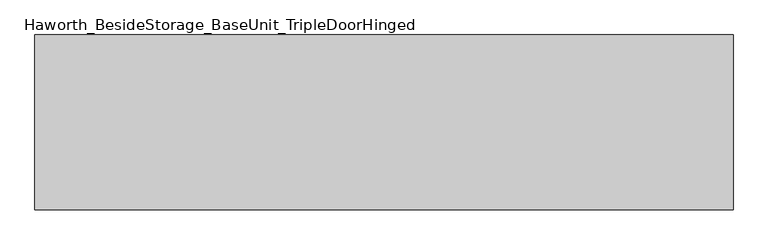
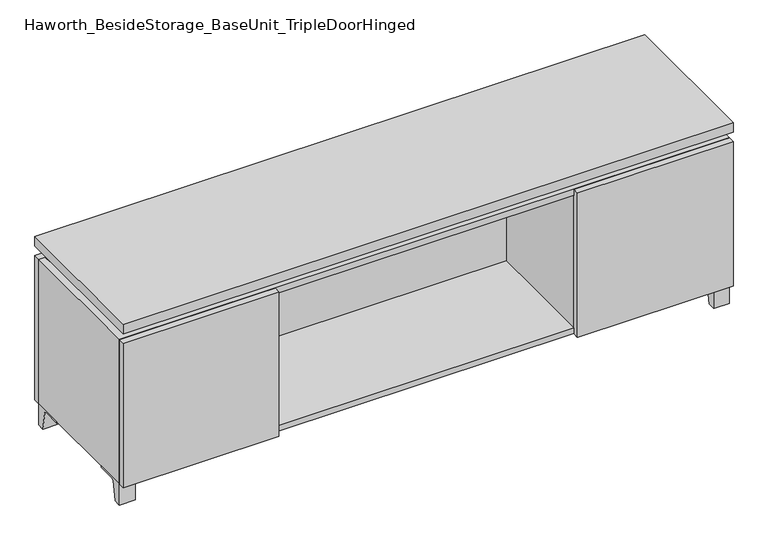
"""IFC4 building model written with IfcOpenShell, lengths in millimetres: furniture geometry, Haworth_BesideStorage_BaseUnit_TripleDoorHinged."""

from ifc_helpers import new_model, si_unit, point, frame, frame_2d, origin, place, context, project, spatial, polyline, circle_curve, trimmed, segment, composite_curve, outline, extrude, faceted_brep, source, transform, mapped, element, save


def haworth_besidestorage_baseunit_tripledoorhinged_83997c4d(model_context):
    return source(origin(), model_context, "Body", "SolidModel", [
        extrude(outline(composite_curve([segment(polyline([(38.6291531, 0.0), (15.875, 0.0), (15.875, 66.675), (111.125, 66.675), (111.125, 61.8963321), (54.3244655, 61.8963321)]), True, "CONTINUOUS"), segment(trimmed(circle_curve(frame_2d((54.3244655, 55.5463321)), 6.35), [point((54.3244655, 61.8963321))], [point((48.0608641, 56.5902656))], True, "CARTESIAN"), True, "CONTINUOUS"), segment(polyline([(48.0608641, 56.5902656), (38.6291531, 0.0)]), True, "CONTINUOUS")], self_intersect=False)), frame((-23.7986094, 0.0, 0.0), z_axis=(1.0, 0.0, 0.0), x_axis=(0.0, 1.0, 0.0)), (0.0, 0.0, 1.0), 47.625),
        extrude(outline(composite_curve([segment(polyline([(-129.6458469, 0.0), (-152.4, 0.0), (-152.4, 66.675), (-57.15, 66.675), (-57.15, 61.8963321), (-113.9505345, 61.8963321)]), True, "CONTINUOUS"), segment(trimmed(circle_curve(frame_2d((-113.9505345, 55.5463321)), 6.35), [point((-113.9505345, 61.8963321))], [point((-120.2141359, 56.5902656))], True, "CARTESIAN"), True, "CONTINUOUS"), segment(polyline([(-120.2141359, 56.5902656), (-129.6458469, 0.0)]), True, "CONTINUOUS")], self_intersect=False)), frame((865.2013906, 0.0, 0.0), z_axis=(1.0, 0.0, 0.0), x_axis=(0.0, 1.0, 0.0)), (0.0, 0.0, 1.0), 47.625),
        extrude(outline(composite_curve([segment(polyline([(243.9458469, 0.0), (234.5141359, 56.5902656)]), True, "CONTINUOUS"), segment(trimmed(circle_curve(frame_2d((228.2505345, 55.5463321)), 6.35), [point((234.5141359, 56.5902656))], [point((228.2505345, 61.8963321))], True, "CARTESIAN"), True, "CONTINUOUS"), segment(polyline([(228.2505345, 61.8963321), (171.45, 61.8963321), (171.45, 66.675), (266.7, 66.675), (266.7, 0.0), (243.9458469, 0.0)]), True, "CONTINUOUS")], self_intersect=False)), frame((865.2013906, 0.0, 0.0), z_axis=(1.0, 0.0, 0.0), x_axis=(0.0, 1.0, 0.0)), (0.0, 0.0, 1.0), 47.625),
        extrude(outline(composite_curve([segment(polyline([(-129.6458469, 0.0), (-152.4, 0.0), (-152.4, 66.675), (-57.15, 66.675), (-57.15, 61.8963321), (-113.9505345, 61.8963321)]), True, "CONTINUOUS"), segment(trimmed(circle_curve(frame_2d((-113.9505345, 55.5463321)), 6.35), [point((-113.9505345, 61.8963321))], [point((-120.2141359, 56.5902656))], True, "CARTESIAN"), True, "CONTINUOUS"), segment(polyline([(-120.2141359, 56.5902656), (-129.6458469, 0.0)]), True, "CONTINUOUS")], self_intersect=False)), frame((-912.7986094, 0.0, 0.0), z_axis=(1.0, 0.0, 0.0), x_axis=(0.0, 1.0, 0.0)), (0.0, 0.0, 1.0), 47.625),
        extrude(outline(composite_curve([segment(polyline([(243.9458469, 0.0), (234.5141359, 56.5902656)]), True, "CONTINUOUS"), segment(trimmed(circle_curve(frame_2d((228.2505345, 55.5463321)), 6.35), [point((234.5141359, 56.5902656))], [point((228.2505345, 61.8963321))], True, "CARTESIAN"), True, "CONTINUOUS"), segment(polyline([(228.2505345, 61.8963321), (171.45, 61.8963321), (171.45, 66.675), (266.7, 66.675), (266.7, 0.0), (243.9458469, 0.0)]), True, "CONTINUOUS")], self_intersect=False)), frame((-912.7986094, 0.0, 0.0), z_axis=(1.0, 0.0, 0.0), x_axis=(0.0, 1.0, 0.0)), (0.0, 0.0, 1.0), 47.625),
        faceted_brep([(-912.7986094, -152.4, 66.675), (912.8125, -152.4, 66.675), (912.8125, -152.4, 523.875), (-912.7986094, -152.4, 523.875), (-893.7486094, -152.4, 85.725), (-893.7486094, -152.4, 504.825), (893.7694453, -152.4, 504.825), (893.7486094, -152.4, 85.725), (-912.7986094, 266.7, 66.675), (-912.7986094, 266.7, 523.875), (-893.7486094, 266.7, 523.875), (-893.7486094, 266.7, 85.725), (893.7486094, 266.7, 85.725), (893.7486094, 266.7, 523.875), (912.8125, 266.7, 523.875), (912.8125, 266.7, 66.675), (893.7486094, 241.3, 523.875), (-893.7416641, 241.3, 523.875), (-893.7486094, 241.3, 504.825), (893.7486094, 241.3, 504.825)], [[[0, 1, 2, 3], [4, 5, 6, 7]], [[8, 9, 10, 11, 12, 13, 14, 15]], [[1, 0, 8, 15]], [[2, 1, 15, 14]], [[3, 2, 14, 13, 16, 17, 10, 9]], [[0, 3, 9, 8]], [[11, 10, 17, 18, 5, 4]], [[13, 12, 7, 6, 19, 16]], [[4, 7, 12, 11]], [[6, 5, 18, 19]], [[17, 16, 19, 18]]]),
        extrude(outline(polyline([(912.8263906, -171.45), (-912.7986094, -171.45), (-912.7986094, 285.75), (912.8263906, 285.75), (912.8263906, -171.45)])), frame((0.0, 0.0, 554.0375), z_axis=(0.0, 0.0, 1.0), x_axis=(1.0, 0.0, 0.0)), (0.0, 0.0, 1.0), 30.1625),
        faceted_brep([(7.9513906, -76.2, 554.0375), (7.9513906, -76.2, 523.875), (7.9513906, 47.625, 523.875), (7.9513906, 47.625, 554.0375), (7.9513906, 190.5, 523.875), (7.9513906, 190.5, 554.0375), (7.9513906, 66.675, 554.0375), (7.9513906, 66.675, 523.875), (-7.9236094, 190.5, 554.0375), (-7.9236094, 190.5, 523.875), (-7.9236094, 66.675, 523.875), (-7.9236094, 66.675, 554.0375), (-7.9236094, -76.2, 523.875), (-7.9236094, -76.2, 554.0375), (-7.9236094, 47.625, 554.0375), (-7.9236094, 47.625, 523.875), (-871.4958281, 66.675, 554.0375), (-871.5166641, 241.3, 554.0375), (-887.3916641, 241.3, 554.0375), (-887.3916641, -127.0, 554.0375), (-871.5166641, -127.0, 554.0375), (-871.5166641, 47.625, 554.0375), (871.5236094, 47.625, 554.0375), (871.5236094, -127.0, 554.0375), (887.3986094, -127.0, 554.0375), (887.3986094, 241.3, 554.0375), (871.5236094, 241.3, 554.0375), (871.5236094, 66.675, 554.0375), (-871.4958281, 47.625, 523.875), (-871.5166641, -127.0, 523.875), (-887.3916641, -127.0, 523.875), (-887.3916641, 241.3, 523.875), (-871.5166641, 241.3, 523.875), (-871.5166641, 66.675, 523.875), (871.5236094, 66.675, 523.875), (871.5236094, 241.3, 523.875), (887.3986094, 241.3, 523.875), (887.3986094, -127.0, 523.875), (871.5236094, -127.0, 523.875), (871.5236094, 47.625, 523.875)], [[[0, 1, 2, 3]], [[4, 5, 6, 7]], [[8, 9, 10, 11]], [[12, 13, 14, 15]], [[5, 8, 11, 16, 17, 18, 19, 20, 21, 14, 13, 0, 3, 22, 23, 24, 25, 26, 27, 6]], [[1, 12, 15, 28, 29, 30, 31, 32, 33, 10, 9, 4, 7, 34, 35, 36, 37, 38, 39, 2]], [[5, 4, 9, 8]], [[1, 0, 13, 12]], [[6, 27, 34, 7]], [[22, 3, 2, 39]], [[20, 29, 28, 21]], [[32, 17, 16, 33]], [[18, 31, 30, 19]], [[29, 20, 19, 30]], [[17, 32, 31, 18]], [[26, 35, 34, 27]], [[38, 23, 22, 39]], [[25, 24, 37, 36]], [[23, 38, 37, 24]], [[35, 26, 25, 36]], [[16, 11, 10, 33]], [[14, 21, 28, 15]]]),
        extrude(outline(polyline([(912.8263906, 266.7), (-912.7986094, 266.7), (-912.7986094, 285.75), (912.8263906, 285.75), (912.8263906, 266.7)])), frame((0.0, 0.0, 66.675), z_axis=(0.0, 0.0, 1.0), x_axis=(1.0, 0.0, 0.0)), (0.0, 0.0, 1.0), 457.2),
        extrude(outline(polyline([(-893.7416641, 196.85), (-893.7416641, 203.2), (893.7694453, 203.2), (893.7694453, 196.85), (-893.7416641, 196.85)])), frame((0.0, 0.0, 85.725), z_axis=(0.0, 0.0, 1.0), x_axis=(1.0, 0.0, 0.0)), (0.0, 0.0, 1.0), 419.1),
        extrude(outline(polyline([(446.8951406, -171.45), (446.8951406, -152.4), (912.8263906, -152.4), (912.8263906, -171.45), (446.8951406, -171.45)])), frame((0.0, 0.0, 66.675), z_axis=(0.0, 0.0, 1.0), x_axis=(1.0, 0.0, 0.0)), (0.0, 0.0, 1.0), 457.2),
        extrude(outline(polyline([(-446.8673594, -171.45), (-912.7986094, -171.45), (-912.7986094, -152.4), (-446.8673594, -152.4), (-446.8673594, -171.45)])), frame((0.0, 0.0, 66.675), z_axis=(0.0, 0.0, 1.0), x_axis=(1.0, 0.0, 0.0)), (0.0, 0.0, 1.0), 457.2),
        extrude(outline(polyline([(446.8951406, 196.85), (465.9451406, 196.85), (465.9451406, -152.4), (446.8951406, -152.4), (446.8951406, 196.85)])), frame((0.0, 0.0, 85.725), z_axis=(0.0, 0.0, 1.0), x_axis=(1.0, 0.0, 0.0)), (0.0, 0.0, 1.0), 419.1),
        extrude(outline(polyline([(-465.9173594, 196.85), (-446.8673594, 196.85), (-446.8673594, -152.4), (-465.9173594, -152.4), (-465.9173594, 196.85)])), frame((0.0, 0.0, 85.725), z_axis=(0.0, 0.0, 1.0), x_axis=(1.0, 0.0, 0.0)), (0.0, 0.0, 1.0), 419.1),
    ])


if __name__ == "__main__":
    model = new_model("IFC4")
    model_context = context("Model", 3, world=origin())
    ifc_project = project(units=[si_unit("LENGTHUNIT", "METRE", prefix="MILLI")], contexts=[model_context])
    site = spatial("IfcSite", under=ifc_project)
    building = spatial("IfcBuilding", under=site)
    placement = place(None, origin())
    haworth_besidestorage_baseunit_tripledoorhinged_shape = haworth_besidestorage_baseunit_tripledoorhinged_83997c4d(model_context)
    element("IfcFurniture", 1, ObjectType="Haworth_BesideStorage_BaseUnit_TripleDoorHinged", at=placement, inside=building, context=model_context, shape_type="MappedRepresentation", body=[
        mapped(haworth_besidestorage_baseunit_tripledoorhinged_shape, transform((0.0, 0.0, 0.0), x_axis=(1.0, 0.0, 0.0), y_axis=(0.0, 1.0, 0.0), z_axis=(0.0, 0.0, 1.0))),
    ])
    save(model, "model.ifc")
